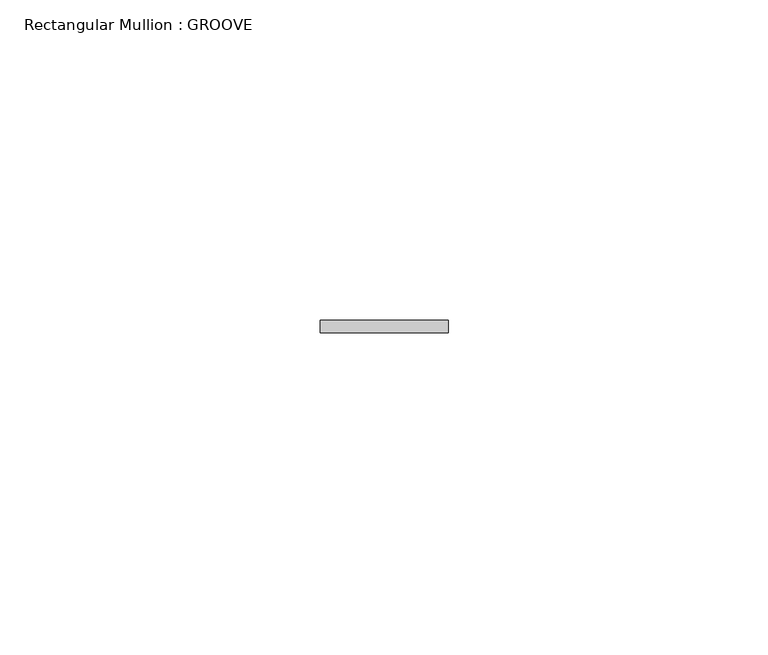
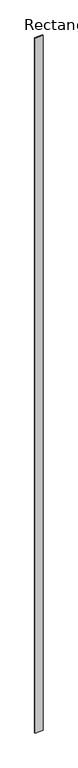
"""IFC4 building model written with IfcOpenShell, lengths in millimetres: member geometry, Rectangular Mullion : GROOVE."""

from ifc_helpers import new_model, si_unit, frame, origin, place, context, project, spatial, polyline, outline, extrude, source, transform, mapped, element, save


def rectangular_mullion_groove_dea45860(model_context):
    return source(origin(), model_context, "Body", "SweptSolid", [
        extrude(outline(polyline([(10.0, 51.0), (10.0, 49.0), (-10.0, 49.0), (-10.0, 51.0), (10.0, 51.0)])), frame((0.0, 0.0, -1817.9263315), z_axis=(0.0, 0.0, 1.0), x_axis=(1.0, 0.0, 0.0)), (0.0, 0.0, 1.0), 1817.9263315),
    ])


if __name__ == "__main__":
    model = new_model("IFC4")
    model_context = context("Model", 3, world=origin())
    ifc_project = project(units=[si_unit("LENGTHUNIT", "METRE", prefix="MILLI")], contexts=[model_context])
    site = spatial("IfcSite", under=ifc_project)
    building = spatial("IfcBuilding", under=site)
    placement = place(None, origin())
    rectangular_mullion_groove_shape = rectangular_mullion_groove_dea45860(model_context)
    element("IfcMember", 1, ObjectType="Rectangular Mullion : GROOVE", at=placement, inside=building, context=model_context, shape_type="MappedRepresentation", body=[
        mapped(rectangular_mullion_groove_shape, transform((0.0, 0.0, 0.0), x_axis=(1.0, 0.0, 0.0), y_axis=(0.0, 1.0, 0.0), z_axis=(0.0, 0.0, 1.0))),
    ])
    save(model, "model.ifc")
